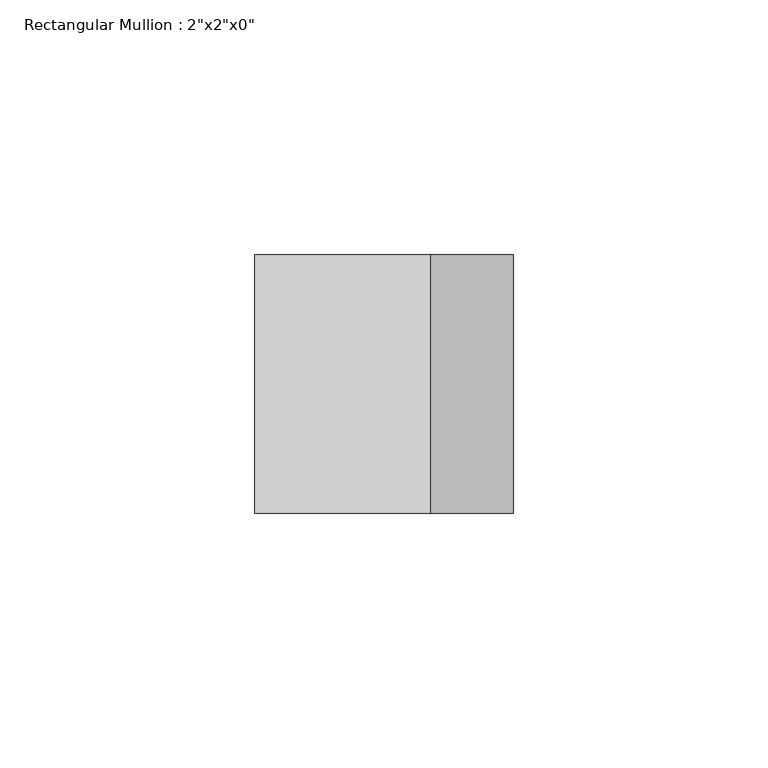
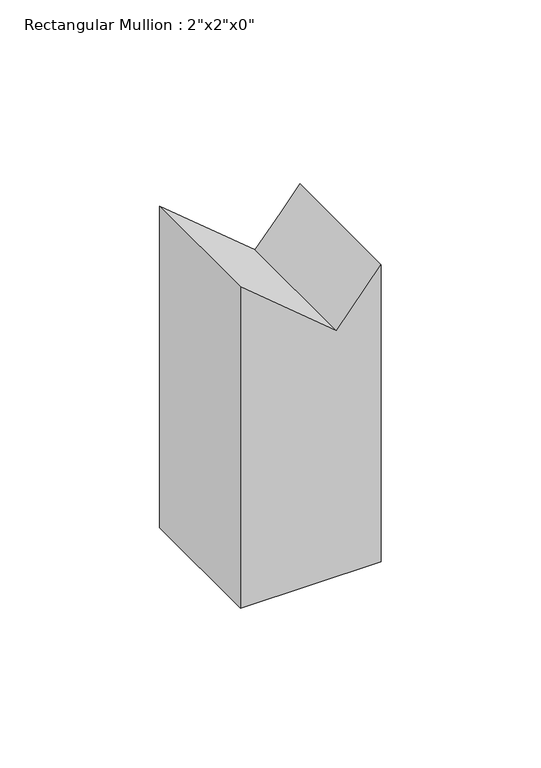
"""IFC4 building model written with IfcOpenShell, lengths in millimetres: member geometry."""

import ifcopenshell
import ifcopenshell.guid

model = None  # the IFC model being written
_history = None  # IfcOwnerHistory: only IFC2X3 demands one
_inside = {}  # id of a spatial element -> (the spatial element, [elements in it])
_under = {}  # id of a project, library or spatial element -> (it, [spatial elements below it])
_declared = {}  # id of a project -> (the project, [libraries it declares])
_typed = {}  # id of a type object -> (the type object, [elements of that type])
_made_of = {}  # id of a material, layer set ... -> (it, [elements and type objects made of it])


def new_model(schema):
    """Start an empty IFC model of exactly this schema.

    Asked for "IFC4X3", IfcOpenShell would pick the latest addendum, in which some entities
    have other attributes; the version numbers below select the first issue.
    IFC2X3 requires an IfcOwnerHistory on every rooted entity: one is made here for all.
    """
    global model, _history
    if schema == "IFC4X3":
        model = ifcopenshell.file(schema_version=(4, 3, 0, 0))
    else:
        model = ifcopenshell.file(schema=schema)
    _inside.clear()
    _under.clear()
    _declared.clear()
    _typed.clear()
    _made_of.clear()
    _history = None
    if model.schema == "IFC2X3":
        org = make("IfcOrganization", Name="unknown")
        user = make(
            "IfcPersonAndOrganization",
            ThePerson=make("IfcPerson", FamilyName="unknown"),
            TheOrganization=org,
        )
        app = make(
            "IfcApplication",
            ApplicationDeveloper=org,
            Version="unknown",
            ApplicationFullName="unknown",
            ApplicationIdentifier="unknown",
        )
        _history = make(
            "IfcOwnerHistory",
            OwningUser=user,
            OwningApplication=app,
            ChangeAction="ADDED",
            CreationDate=0,
        )
    return model


def make(cls, **values):
    """One entity of the class cls with the attributes given. An attribute that is None is left unset."""
    return model.create_entity(
        cls, **{name: value for name, value in values.items() if value is not None}
    )


def rooted(cls, **values):
    """An entity with a GlobalId (a new one), such as an element, a storey or a relation."""
    return make(cls, GlobalId=ifcopenshell.guid.new(), OwnerHistory=_history, **values)


def si_unit(unit_type, name, prefix=None):
    """IfcSIUnit, for example si_unit("LENGTHUNIT", "METRE", prefix="MILLI")."""
    return make("IfcSIUnit", UnitType=unit_type, Prefix=prefix, Name=name)


def assignment(units):
    """IfcUnitAssignment: the units of a project."""
    return None if units is None else make("IfcUnitAssignment", Units=units)


def point(xyz):
    """IfcCartesianPoint."""
    return None if xyz is None else make("IfcCartesianPoint", Coordinates=xyz)


def direction(xyz):
    """IfcDirection."""
    return None if xyz is None else make("IfcDirection", DirectionRatios=xyz)


def frame(location, z_axis=None, x_axis=None):
    """IfcAxis2Placement3D, a coordinate frame: its origin and axes. An axis left out is left unset."""
    return make(
        "IfcAxis2Placement3D",
        Location=point(location),
        Axis=direction(z_axis),
        RefDirection=direction(x_axis),
    )


def origin():
    """The frame at (0, 0, 0) with its axes left unset."""
    return frame((0.0, 0.0, 0.0))


def place(relative_to, where):
    """IfcLocalPlacement: puts the frame where relative to a parent placement (None: the world)."""
    return make(
        "IfcLocalPlacement", PlacementRelTo=relative_to, RelativePlacement=where
    )


def context(
    kind, dimensions, precision=None, world=None, true_north=None, identifier=None
):
    """IfcGeometricRepresentationContext, for example the 3D "Model" context."""
    return make(
        "IfcGeometricRepresentationContext",
        ContextIdentifier=identifier,
        ContextType=kind,
        CoordinateSpaceDimension=dimensions,
        Precision=precision,
        WorldCoordinateSystem=world,
        TrueNorth=true_north,
    )


def project(units=None, contexts=None):
    """IfcProject with its units and contexts."""
    return rooted(
        "IfcProject",
        Name="project",
        RepresentationContexts=contexts,
        UnitsInContext=assignment(units),
    )


def spatial(cls, under=None, at=None, **own):
    """A site, building, storey or space (cls), placed at a placement, below another one or the project."""
    s = rooted(cls, ObjectPlacement=at, **own)
    if under is not None:
        _under.setdefault(under.id(), (under, []))[1].append(s)
    return s


def faces_of(points, faces, orient=None, outer=None):
    """IfcFace entities. A face is a list of loops; a loop is a list of indices into points, from 0.

    orient and outer hold one flag for each loop. By default every Orientation is true, the
    first loop of a face is its IfcFaceOuterBound and the others are IfcFaceBound.
    """
    made = []
    for i, loops in enumerate(faces):
        bounds = []
        for j, loop in enumerate(loops):
            is_outer = j == 0 if outer is None else outer[i][j]
            bounds.append(
                make(
                    "IfcFaceOuterBound" if is_outer else "IfcFaceBound",
                    Bound=make("IfcPolyLoop", Polygon=[points[k] for k in loop]),
                    Orientation=True if orient is None else orient[i][j],
                )
            )
        made.append(make("IfcFace", Bounds=bounds))
    return made


def faceted_brep(points, faces, orient=None, outer=None, voids=None):
    """IfcFacetedBrep: a solid bounded by flat faces; with voids (closed shells), ...WithVoids."""
    shared = [point(p) for p in points]
    hull = make("IfcClosedShell", CfsFaces=faces_of(shared, faces, orient, outer))
    if voids is None:
        return make("IfcFacetedBrep", Outer=hull)
    return make(
        "IfcFacetedBrepWithVoids",
        Outer=hull,
        Voids=[
            make(cls, CfsFaces=faces_of(shared, fs, o, b)) for cls, fs, o, b in voids
        ],
    )


def shape(context_of_items, identifier, shape_type, items):
    """IfcShapeRepresentation: the items that make up one representation, for example the "Body"."""
    return make(
        "IfcShapeRepresentation",
        ContextOfItems=context_of_items,
        RepresentationIdentifier=identifier,
        RepresentationType=shape_type,
        Items=items,
    )


def source(mapping_origin, context_of_items, identifier, shape_type, items):
    """IfcRepresentationMap: a shape defined once, which mapped items show again and again."""
    return make(
        "IfcRepresentationMap",
        MappingOrigin=mapping_origin,
        MappedRepresentation=shape(context_of_items, identifier, shape_type, items),
    )


def transform(
    local_origin,
    x_axis=None,
    y_axis=None,
    z_axis=None,
    scale=None,
    scale2=None,
    scale3=None,
    uniform=True,
):
    """IfcCartesianTransformationOperator3D, or its non-uniform kind. x_axis, y_axis, z_axis: its Axis1, 2, 3."""
    if uniform:
        return make(
            "IfcCartesianTransformationOperator3D",
            Axis1=direction(x_axis),
            Axis2=direction(y_axis),
            LocalOrigin=point(local_origin),
            Scale=scale,
            Axis3=direction(z_axis),
        )
    return make(
        "IfcCartesianTransformationOperator3DnonUniform",
        Axis1=direction(x_axis),
        Axis2=direction(y_axis),
        LocalOrigin=point(local_origin),
        Scale=scale,
        Axis3=direction(z_axis),
        Scale2=scale2,
        Scale3=scale3,
    )


def mapped(mapping_source, mapping_target):
    """IfcMappedItem: shows the shape of a source again, moved by a transform."""
    return make(
        "IfcMappedItem", MappingSource=mapping_source, MappingTarget=mapping_target
    )


def made_of(thing, what):
    """Note that an element or type object is made of a material, layer set ...; save() writes the relation."""
    if what is not None:
        _made_of.setdefault(what.id(), (what, []))[1].append(thing)
    return thing


def element(
    cls,
    number,
    at=None,
    inside=None,
    cuts=None,
    type_object=None,
    material=None,
    context=None,
    identifier="Body",
    shape_type=None,
    held_by="IfcProductDefinitionShape",
    body=None,
    shapes=None,
    **own,
):
    """One element of the class cls, such as IfcWall. Its Tag is "e" and its number.

    at: its placement. inside: the storey or other place that contains it. cuts: it is an
    opening in that element (IfcRelVoidsElement). A single representation is given by context,
    identifier, shape_type and body (its items); several are given by shapes. held_by: the class
    of the entity that holds the representations. save() writes the other relations.
    """
    e = rooted(cls, Tag="e%d" % number, ObjectPlacement=at, **own)
    if body is not None:
        shapes = [shape(context, identifier, shape_type, body)]
    if shapes is not None:
        e.Representation = make(held_by, Representations=shapes)
    if inside is not None:
        _inside.setdefault(inside.id(), (inside, []))[1].append(e)
    if cuts is not None:
        rooted(
            "IfcRelVoidsElement", RelatingBuildingElement=cuts, RelatedOpeningElement=e
        )
    if type_object is not None:
        _typed.setdefault(type_object.id(), (type_object, []))[1].append(e)
    return made_of(e, material)


def aggregate(whole, parts):
    """IfcRelAggregates: a whole, such as a stair, and the parts it consists of."""
    return rooted("IfcRelAggregates", RelatingObject=whole, RelatedObjects=parts)


def save(model, path):
    """Write the relations noted so far, then the file.

    IfcRelAggregates (storeys below a building ...), IfcRelContainedInSpatialStructure (elements
    in a storey), IfcRelDefinesByType, IfcRelAssociatesMaterial and IfcRelDeclares: one each for
    every whole, place, type object, material and project.
    """
    for whole, parts in _under.values():
        aggregate(whole, parts)
    for where, things in _inside.values():
        rooted(
            "IfcRelContainedInSpatialStructure",
            RelatedElements=things,
            RelatingStructure=where,
        )
    for kind, things in _typed.values():
        rooted("IfcRelDefinesByType", RelatedObjects=things, RelatingType=kind)
    for what, things in _made_of.values():
        rooted("IfcRelAssociatesMaterial", RelatedObjects=things, RelatingMaterial=what)
    for by, libraries in _declared.values():
        rooted("IfcRelDeclares", RelatingContext=by, RelatedDefinitions=libraries)
    model.write(path)


def member_bf193c68(model_context):
    return source(origin(), model_context, "Body", "Brep", [
        faceted_brep([(0.0, 25.4, -113.5495598), (0.0, -25.4, -113.5495598), (-50.8, -25.4, -113.5495598), (-50.8, 25.4, -113.5495598), (-50.8, 25.4, 9.2256183), (-16.2458946, 25.4, -19.5251353), (-6.9272727, 25.4, -8.3255457), (0.0, 25.4, 0.0), (-50.8, -25.4, 9.2256183), (0.0, -25.4, 0.0), (-16.2458946, -25.4, -19.5251353)], [[[0, 1, 2, 3]], [[4, 5, 6, 7, 0, 3]], [[8, 4, 3, 2]], [[9, 10, 8, 2, 1]], [[7, 9, 1, 0]], [[7, 6, 5, 10, 9]], [[5, 4, 8, 10]]]),
    ])


if __name__ == "__main__":
    model = new_model("IFC4")
    model_context = context("Model", 3, world=origin())
    ifc_project = project(units=[si_unit("LENGTHUNIT", "METRE", prefix="MILLI")], contexts=[model_context])
    site = spatial("IfcSite", under=ifc_project)
    building = spatial("IfcBuilding", under=site)
    placement = place(None, origin())
    member_shape = member_bf193c68(model_context)
    element("IfcMember", 1, ObjectType="Rectangular Mullion : 2\"x2\"x0\"", at=placement, inside=building, context=model_context, shape_type="MappedRepresentation", body=[
        mapped(member_shape, transform((0.0, 0.0, 0.0), x_axis=(1.0, 0.0, 0.0), y_axis=(0.0, 1.0, 0.0), z_axis=(0.0, 0.0, 1.0))),
    ])
    save(model, "model.ifc")
